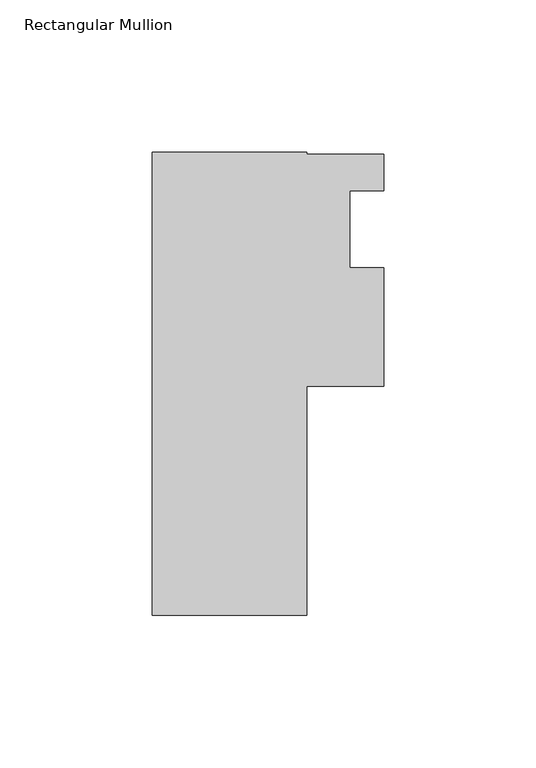
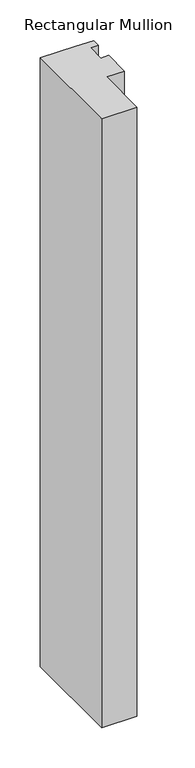
"""IFC4 building model written with IfcOpenShell, lengths in millimetres: member geometry, Rectangular Mullion."""

from ifc_helpers import new_model, si_unit, frame, origin, place, context, project, spatial, polyline, outline, extrude, source, transform, mapped, element, save


def rectangular_mullion_935890c1(model_context):
    return source(origin(), model_context, "Body", "SweptSolid", [
        extrude(outline(polyline([(25.4, -139.7), (-25.4, -139.7), (-25.4, 12.7), (25.4, 12.7), (25.4, 11.90625), (50.8, 11.90625), (50.8, 0.0), (39.6875, 0.0), (39.6875, -25.4), (50.8, -25.4), (50.8, -64.29375), (25.4, -64.29375), (25.4, -139.7)])), frame((0.0, 0.0, -923.925), z_axis=(0.0, 0.0, 1.0), x_axis=(1.0, 0.0, 0.0)), (0.0, 0.0, 1.0), 923.925),
    ])


if __name__ == "__main__":
    model = new_model("IFC4")
    model_context = context("Model", 3, world=origin())
    ifc_project = project(units=[si_unit("LENGTHUNIT", "METRE", prefix="MILLI")], contexts=[model_context])
    site = spatial("IfcSite", under=ifc_project)
    building = spatial("IfcBuilding", under=site)
    placement = place(None, origin())
    rectangular_mullion_shape = rectangular_mullion_935890c1(model_context)
    element("IfcMember", 1, ObjectType="Rectangular Mullion", at=placement, inside=building, context=model_context, shape_type="MappedRepresentation", body=[
        mapped(rectangular_mullion_shape, transform((0.0, 0.0, 0.0), x_axis=(1.0, 0.0, 0.0), y_axis=(0.0, 1.0, 0.0), z_axis=(0.0, 0.0, 1.0))),
    ])
    save(model, "model.ifc")
